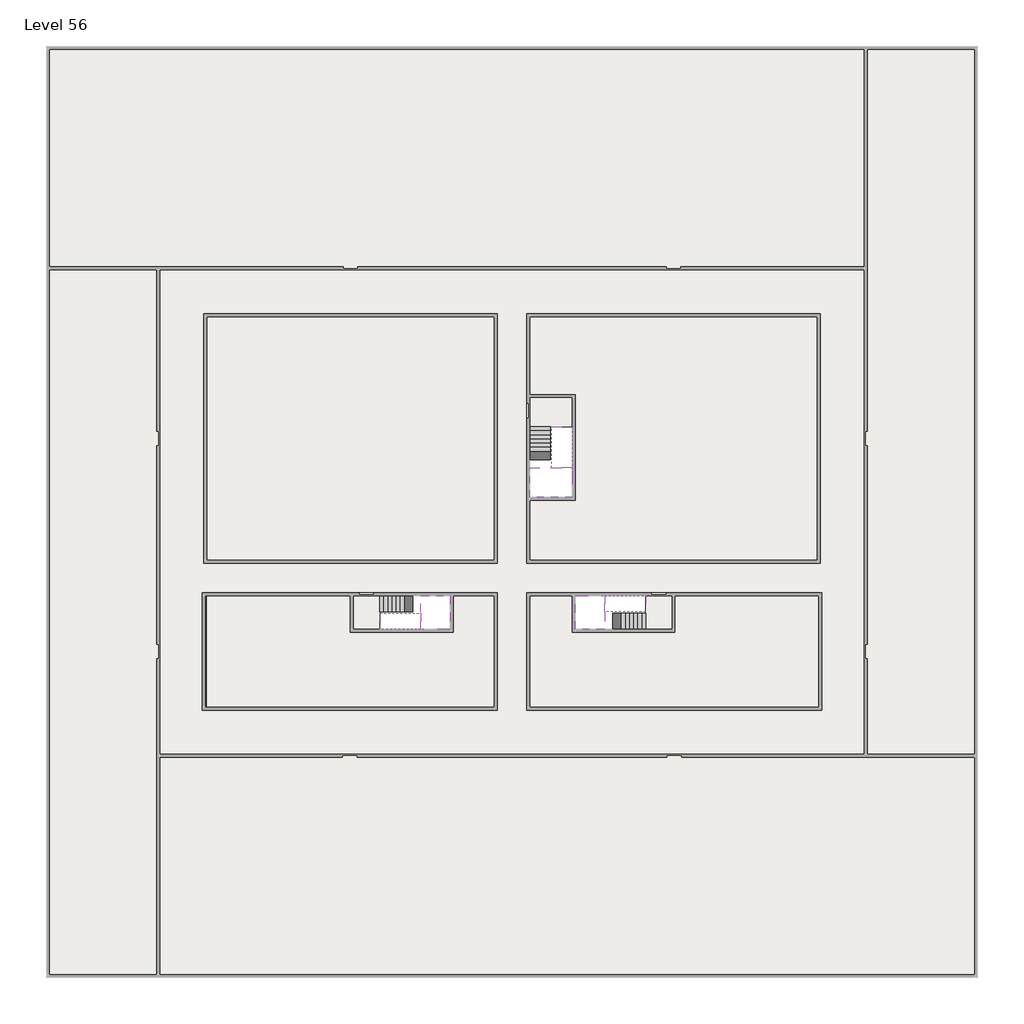
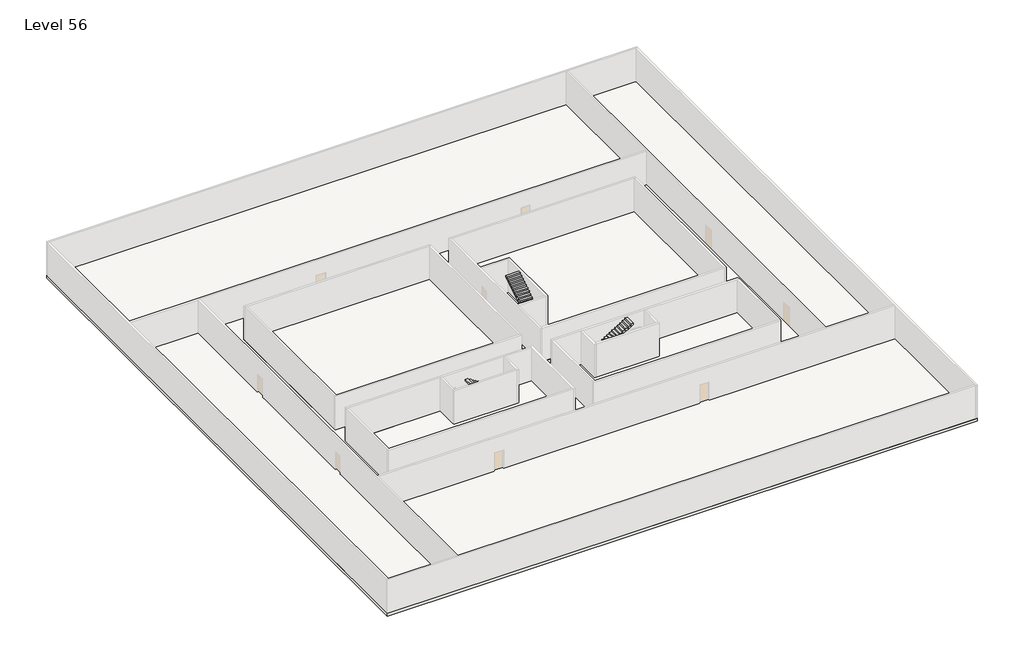
# One storey, part 2 of 2: 6 slabs, 6 stair flights.
"""IFC4 building model written with IfcOpenShell, lengths in millimetres."""

from ifc_helpers import new_model, si_unit, frame, origin, place, context, project, spatial, polyline, outline, extrude, faceted_brep, element, save

model = new_model("IFC4")

# Units and contexts
model_context = context("Model", 3, world=origin())
ifc_project = project(units=[si_unit("LENGTHUNIT", "METRE", prefix="MILLI")], contexts=[model_context])

# Site, building, storey
site = spatial("IfcSite", under=ifc_project)
building = spatial("IfcBuilding", under=site)
storey = spatial("IfcBuildingStorey", under=building, Name="Level 56", Elevation=209000.0)

# Slabs
placement = place(None, origin())
element("IfcSlab", 1, at=placement, inside=storey, context=model_context, shape_type="SweptSolid", body=[
    extrude(outline(polyline([(55890.1058784, -5518.09644), (55890.1058784, -68918.09644), (-7509.8941216, -68918.09644), (-7509.8941216, -5518.09644), (55890.1058784, -5518.09644)]), holes=[polyline([(23190.1058784, -23718.09644), (3190.1058784, -23718.09644), (3190.1058784, -40718.09644), (23190.1058784, -40718.09644), (23190.1058784, -23718.09644)]), polyline([(45190.1058784, -23718.09644), (25190.1058784, -23718.09644), (25190.1058784, -40718.09644), (45190.1058784, -40718.09644), (45190.1058784, -23718.09644)]), polyline([(23190.1058784, -50718.09644), (23190.1058784, -42718.09644), (3390.1058784, -42718.09644), (3390.1058784, -50718.09644), (23190.1058784, -50718.09644)]), polyline([(25190.1058784, -50718.09644), (45190.1058784, -50718.09644), (45190.1058784, -42718.09644), (25190.1058784, -42718.09644), (25190.1058784, -50718.09644)])]), frame((0.0, 0.0, 208700.0), z_axis=(0.0, 0.0, 1.0), x_axis=(1.0, 0.0, 0.0)), (0.0, 0.0, 1.0), 300.0),
])
element("IfcSlab", 2, at=placement, inside=storey, context=model_context, shape_type="Brep", body=[
    faceted_brep([(26790.1058784, -34218.09644, 210900.0), (25390.1058784, -34218.09644, 210900.0), (25390.1058784, -34297.4828763, 210900.0), (25390.1058784, -36218.09644, 210900.0), (28290.1058784, -36218.09644, 210900.0), (28290.1058784, -34418.7100038, 210900.0), (28290.1058784, -34218.09644, 210900.0), (26890.1058784, -34218.09644, 210900.0), (26790.1058784, -34218.09644, 210600.0), (26790.1058784, -34218.09644, 210551.0278478), (25390.1058784, -34218.09644, 210551.0278478), (25390.1058784, -34218.09644, 210727.2727273), (25390.1058784, -34297.4828763, 210600.0), (25390.1058784, -36218.09644, 210600.0), (28290.1058784, -36218.09644, 210600.0), (28290.1058784, -34418.7100038, 210600.0), (28290.1058784, -34218.09644, 210723.7551205), (26890.1058784, -34218.09644, 210723.7551205), (26890.1058784, -34218.09644, 210600.0), (26890.1058784, -34418.7100038, 210600.0), (26790.1058784, -34297.4828763, 210600.0)], [[[0, 1, 2, 3, 4, 5, 6, 7]], [[1, 0, 8, 9, 10, 11]], [[1, 11, 10, 12, 13, 3, 2]], [[4, 3, 13, 14]], [[4, 14, 15, 16, 6, 5]], [[7, 6, 16, 17]], [[0, 7, 17, 18, 8]], [[18, 19, 15, 14, 13, 12, 20, 8]], [[19, 18, 17]], [[20, 12, 10, 9]], [[8, 20, 9]], [[15, 19, 17, 16]]]),
])
element("IfcSlab", 3, at=placement, inside=storey, context=model_context, shape_type="SweptSolid", body=[
    extrude(outline(polyline([(22990.1058784, -23918.09644), (22990.1058784, -40518.09644), (3390.1058784, -40518.09644), (3390.1058784, -23918.09644), (22990.1058784, -23918.09644)])), frame((0.0, 0.0, 208700.0), z_axis=(0.0, 0.0, 1.0), x_axis=(1.0, 0.0, 0.0)), (0.0, 0.0, 1.0), 300.0),
    extrude(outline(polyline([(44990.1058784, -23918.09644), (44990.1058784, -40518.09644), (25390.1058784, -40518.09644), (25390.1058784, -36418.09644), (28490.1058784, -36418.09644), (28490.1058784, -29218.09644), (25390.1058784, -29218.09644), (25390.1058784, -23918.09644), (44990.1058784, -23918.09644)])), frame((0.0, 0.0, 208700.0), z_axis=(0.0, 0.0, 1.0), x_axis=(1.0, 0.0, 0.0)), (0.0, 0.0, 1.0), 300.0),
    extrude(outline(polyline([(22990.1058784, -42918.09644), (22990.1058784, -50518.09644), (3390.1058784, -50518.09644), (3390.1058784, -42918.09644), (13190.1058784, -42918.09644), (13190.1058784, -45418.09644), (20190.1058784, -45418.09644), (20190.1058784, -42918.09644), (22990.1058784, -42918.09644)])), frame((0.0, 0.0, 208700.0), z_axis=(0.0, 0.0, 1.0), x_axis=(1.0, 0.0, 0.0)), (0.0, 0.0, 1.0), 300.0),
    extrude(outline(polyline([(28290.1058784, -42918.09644), (28290.1058784, -45418.09644), (35290.1058784, -45418.09644), (35290.1058784, -42918.09644), (45090.1058784, -42918.09644), (45090.1058784, -50518.09644), (25390.1058784, -50518.09644), (25390.1058784, -42918.09644), (28290.1058784, -42918.09644)])), frame((0.0, 0.0, 208700.0), z_axis=(0.0, 0.0, 1.0), x_axis=(1.0, 0.0, 0.0)), (0.0, 0.0, 1.0), 300.0),
])
element("IfcSlab", 4, at=placement, inside=storey, context=model_context, shape_type="Brep", body=[
    faceted_brep([(30490.1058784, -45218.09644, 210900.0), (30490.1058784, -44118.09644, 210900.0), (30490.1058784, -44018.09644, 210900.0), (30490.1058784, -42918.09644, 210900.0), (30289.4923146, -42918.09644, 210900.0), (28490.1058784, -42918.09644, 210900.0), (28490.1058784, -45218.09644, 210900.0), (30410.7194421, -45218.09644, 210900.0), (30490.1058784, -45218.09644, 210727.2727273), (30490.1058784, -45218.09644, 210551.0278478), (30490.1058784, -44118.09644, 210551.0278478), (30490.1058784, -44118.09644, 210600.0), (30490.1058784, -44018.09644, 210600.0), (30490.1058784, -44018.09644, 210723.7551205), (30490.1058784, -42918.09644, 210723.7551205), (30289.4923146, -42918.09644, 210600.0), (28490.1058784, -42918.09644, 210600.0), (28490.1058784, -45218.09644, 210600.0), (30410.7194421, -45218.09644, 210600.0), (30289.4923146, -44018.09644, 210600.0), (30410.7194421, -44118.09644, 210600.0)], [[[0, 1, 2, 3, 4, 5, 6, 7]], [[1, 0, 8, 9, 10, 11]], [[2, 1, 11, 12, 13]], [[3, 2, 13, 14]], [[3, 14, 15, 16, 5, 4]], [[6, 5, 16, 17]], [[9, 8, 0, 7, 6, 17, 18]], [[19, 12, 11, 20, 18, 17, 16, 15]], [[12, 19, 13]], [[18, 20, 10, 9]], [[20, 11, 10]], [[19, 15, 14, 13]]]),
])
element("IfcSlab", 5, at=placement, inside=storey, context=model_context, shape_type="Brep", body=[
    faceted_brep([(17990.1058784, -42918.09644, 210900.0), (17990.1058784, -44018.09644, 210900.0), (17990.1058784, -44118.09644, 210900.0), (17990.1058784, -45218.09644, 210900.0), (18190.7194421, -45218.09644, 210900.0), (19990.1058784, -45218.09644, 210900.0), (19990.1058784, -42918.09644, 210900.0), (18069.4923146, -42918.09644, 210900.0), (17990.1058784, -42918.09644, 210727.2727273), (17990.1058784, -42918.09644, 210551.0278478), (17990.1058784, -44018.09644, 210551.0278478), (17990.1058784, -44018.09644, 210600.0), (17990.1058784, -44118.09644, 210600.0), (17990.1058784, -44118.09644, 210723.7551205), (17990.1058784, -45218.09644, 210723.7551205), (18190.7194421, -45218.09644, 210600.0), (19990.1058784, -45218.09644, 210600.0), (19990.1058784, -42918.09644, 210600.0), (18069.4923146, -42918.09644, 210600.0), (18190.7194421, -44118.09644, 210600.0), (18069.4923146, -44018.09644, 210600.0)], [[[0, 1, 2, 3, 4, 5, 6, 7]], [[1, 0, 8, 9, 10, 11]], [[2, 1, 11, 12, 13]], [[3, 2, 13, 14]], [[3, 14, 15, 16, 5, 4]], [[6, 5, 16, 17]], [[9, 8, 0, 7, 6, 17, 18]], [[19, 12, 11, 20, 18, 17, 16, 15]], [[12, 19, 13]], [[18, 20, 10, 9]], [[20, 11, 10]], [[19, 15, 14, 13]]]),
])
element("IfcSlab", 6, at=placement, inside=storey, context=model_context, shape_type="SweptSolid", body=[
    extrude(outline(polyline([(25190.1058784, -29418.09644), (28290.1058784, -29418.09644), (28290.1058784, -31418.09644), (25190.1058784, -31418.09644), (25190.1058784, -29418.09644)])), frame((0.0, 0.0, 208700.0), z_axis=(0.0, 0.0, 1.0), x_axis=(1.0, 0.0, 0.0)), (0.0, 0.0, 1.0), 300.0),
    extrude(outline(polyline([(15190.1058784, -45218.09644), (13390.1058784, -45218.09644), (13390.1058784, -42718.09644), (15190.1058784, -42718.09644), (15190.1058784, -45218.09644)])), frame((0.0, 0.0, 208700.0), z_axis=(0.0, 0.0, 1.0), x_axis=(1.0, 0.0, 0.0)), (0.0, 0.0, 1.0), 300.0),
    extrude(outline(polyline([(35090.1058784, -45218.09644), (33290.1058784, -45218.09644), (33290.1058784, -42718.09644), (35090.1058784, -42718.09644), (35090.1058784, -45218.09644)])), frame((0.0, 0.0, 208700.0), z_axis=(0.0, 0.0, 1.0), x_axis=(1.0, 0.0, 0.0)), (0.0, 0.0, 1.0), 300.0),
])

# Stair flights
element("IfcStairFlight", 7, at=placement, inside=storey, context=model_context, shape_type="Brep", body=[
    faceted_brep([(26790.1058784, -31698.09644, 209172.7272727), (26790.1058784, -31418.09644, 209172.7272727), (25390.1058784, -31418.09644, 209172.7272727), (25390.1058784, -31698.09644, 209172.7272727), (26790.1058784, -31698.09644, 209000.0), (26790.1058784, -31418.09644, 209000.0), (25390.1058784, -31418.09644, 209000.0), (25390.1058784, -31698.09644, 209000.0), (26790.1058784, -31978.09644, 209345.4545455), (26790.1058784, -31698.09644, 209345.4545455), (25390.1058784, -31698.09644, 209345.4545455), (25390.1058784, -31978.09644, 209345.4545455), (26790.1058784, -31978.09644, 209169.209666), (26790.1058784, -31703.7986657, 209000.0), (25390.1058784, -31703.7986657, 209000.0), (25390.1058784, -31978.09644, 209169.209666), (26790.1058784, -32258.09644, 209518.1818182), (26790.1058784, -31978.09644, 209518.1818182), (25390.1058784, -31978.09644, 209518.1818182), (25390.1058784, -32258.09644, 209518.1818182), (26790.1058784, -32258.09644, 209341.9369387), (25390.1058784, -32258.09644, 209341.9369387), (26790.1058784, -32538.09644, 209690.9090909), (26790.1058784, -32258.09644, 209690.9090909), (25390.1058784, -32258.09644, 209690.9090909), (25390.1058784, -32538.09644, 209690.9090909), (26790.1058784, -32538.09644, 209514.6642114), (25390.1058784, -32538.09644, 209514.6642114), (26790.1058784, -32818.09644, 209863.6363636), (26790.1058784, -32538.09644, 209863.6363636), (25390.1058784, -32538.09644, 209863.6363636), (25390.1058784, -32818.09644, 209863.6363636), (26790.1058784, -32818.09644, 209687.3914841), (25390.1058784, -32818.09644, 209687.3914841), (26790.1058784, -33098.09644, 210036.3636364), (26790.1058784, -32818.09644, 210036.3636364), (25390.1058784, -32818.09644, 210036.3636364), (25390.1058784, -33098.09644, 210036.3636364), (26790.1058784, -33098.09644, 209860.1187569), (25390.1058784, -33098.09644, 209860.1187569), (26790.1058784, -33378.09644, 210209.0909091), (26790.1058784, -33098.09644, 210209.0909091), (25390.1058784, -33098.09644, 210209.0909091), (25390.1058784, -33378.09644, 210209.0909091), (26790.1058784, -33378.09644, 210032.8460296), (25390.1058784, -33378.09644, 210032.8460296), (26790.1058784, -33658.09644, 210381.8181818), (26790.1058784, -33378.09644, 210381.8181818), (25390.1058784, -33378.09644, 210381.8181818), (25390.1058784, -33658.09644, 210381.8181818), (26790.1058784, -33658.09644, 210205.5733023), (25390.1058784, -33658.09644, 210205.5733023), (26790.1058784, -33938.09644, 210554.5454545), (26790.1058784, -33658.09644, 210554.5454545), (25390.1058784, -33658.09644, 210554.5454545), (25390.1058784, -33938.09644, 210554.5454545), (26790.1058784, -33938.09644, 210378.3005751), (25390.1058784, -33938.09644, 210378.3005751), (26790.1058784, -34218.09644, 210727.2727273), (26790.1058784, -33938.09644, 210727.2727273), (25390.1058784, -33938.09644, 210727.2727273), (25390.1058784, -34218.09644, 210727.2727273), (26790.1058784, -34218.09644, 210600.0), (26790.1058784, -34218.09644, 210551.0278478), (25390.1058784, -34218.09644, 210551.0278478)], [[[0, 1, 2, 3]], [[1, 0, 4, 5]], [[2, 1, 5, 6]], [[3, 2, 6, 7]], [[8, 9, 10, 11]], [[4, 0, 9, 8, 12, 13]], [[0, 3, 10, 9]], [[3, 7, 14, 15, 11, 10]], [[16, 17, 18, 19]], [[17, 16, 20, 12, 8]], [[8, 11, 18, 17]], [[19, 18, 11, 15, 21]], [[22, 23, 24, 25]], [[23, 22, 26, 20, 16]], [[16, 19, 24, 23]], [[25, 24, 19, 21, 27]], [[28, 29, 30, 31]], [[29, 28, 32, 26, 22]], [[22, 25, 30, 29]], [[31, 30, 25, 27, 33]], [[34, 35, 36, 37]], [[35, 34, 38, 32, 28]], [[28, 31, 36, 35]], [[37, 36, 31, 33, 39]], [[40, 41, 42, 43]], [[41, 40, 44, 38, 34]], [[34, 37, 42, 41]], [[43, 42, 37, 39, 45]], [[46, 47, 48, 49]], [[47, 46, 50, 44, 40]], [[40, 43, 48, 47]], [[49, 48, 43, 45, 51]], [[52, 53, 54, 55]], [[53, 52, 56, 50, 46]], [[46, 49, 54, 53]], [[55, 54, 49, 51, 57]], [[58, 59, 60, 61]], [[59, 58, 62, 63, 56, 52]], [[52, 55, 60, 59]], [[61, 60, 55, 57, 64]], [[58, 61, 64, 63, 62]], [[5, 4, 13, 14, 7, 6]], [[14, 13, 12, 20, 26, 32, 38, 44, 50, 56, 63, 64, 57, 51, 45, 39, 33, 27, 21, 15]]]),
])
element("IfcStairFlight", 8, at=placement, inside=storey, context=model_context, shape_type="Brep", body=[
    faceted_brep([(26890.1058784, -33938.09644, 211072.7272727), (26890.1058784, -34218.09644, 211072.7272727), (28290.1058784, -34218.09644, 211072.7272727), (28290.1058784, -33938.09644, 211072.7272727), (26890.1058784, -33938.09644, 210896.4823932), (26890.1058784, -34218.09644, 210723.7551205), (28290.1058784, -34218.09644, 210723.7551205), (28290.1058784, -34218.09644, 210900.0), (28290.1058784, -33938.09644, 210896.4823932), (26890.1058784, -33658.09644, 211245.4545455), (26890.1058784, -33938.09644, 211245.4545455), (28290.1058784, -33938.09644, 211245.4545455), (28290.1058784, -33658.09644, 211245.4545455), (26890.1058784, -33658.09644, 211069.209666), (28290.1058784, -33658.09644, 211069.209666), (26890.1058784, -33378.09644, 211418.1818182), (26890.1058784, -33658.09644, 211418.1818182), (28290.1058784, -33658.09644, 211418.1818182), (28290.1058784, -33378.09644, 211418.1818182), (26890.1058784, -33378.09644, 211241.9369387), (28290.1058784, -33378.09644, 211241.9369387), (26890.1058784, -33098.09644, 211590.9090909), (26890.1058784, -33378.09644, 211590.9090909), (28290.1058784, -33378.09644, 211590.9090909), (28290.1058784, -33098.09644, 211590.9090909), (26890.1058784, -33098.09644, 211414.6642114), (28290.1058784, -33098.09644, 211414.6642114), (26890.1058784, -32818.09644, 211763.6363636), (26890.1058784, -33098.09644, 211763.6363636), (28290.1058784, -33098.09644, 211763.6363636), (28290.1058784, -32818.09644, 211763.6363636), (26890.1058784, -32818.09644, 211587.3914841), (28290.1058784, -32818.09644, 211587.3914841), (26890.1058784, -32538.09644, 211936.3636364), (26890.1058784, -32818.09644, 211936.3636364), (28290.1058784, -32818.09644, 211936.3636364), (28290.1058784, -32538.09644, 211936.3636364), (26890.1058784, -32538.09644, 211760.1187569), (28290.1058784, -32538.09644, 211760.1187569), (26890.1058784, -32258.09644, 212109.0909091), (26890.1058784, -32538.09644, 212109.0909091), (28290.1058784, -32538.09644, 212109.0909091), (28290.1058784, -32258.09644, 212109.0909091), (26890.1058784, -32258.09644, 211932.8460296), (28290.1058784, -32258.09644, 211932.8460296), (26890.1058784, -31978.09644, 212281.8181818), (26890.1058784, -32258.09644, 212281.8181818), (28290.1058784, -32258.09644, 212281.8181818), (28290.1058784, -31978.09644, 212281.8181818), (26890.1058784, -31978.09644, 212105.5733023), (28290.1058784, -31978.09644, 212105.5733023), (26890.1058784, -31698.09644, 212454.5454545), (26890.1058784, -31978.09644, 212454.5454545), (28290.1058784, -31978.09644, 212454.5454545), (28290.1058784, -31698.09644, 212454.5454545), (26890.1058784, -31698.09644, 212278.3005751), (28290.1058784, -31698.09644, 212278.3005751), (26890.1058784, -31418.09644, 212627.2727273), (26890.1058784, -31698.09644, 212627.2727273), (28290.1058784, -31698.09644, 212627.2727273), (28290.1058784, -31418.09644, 212627.2727273), (26890.1058784, -31418.09644, 212451.0278478), (28290.1058784, -31418.09644, 212451.0278478)], [[[0, 1, 2, 3]], [[1, 0, 4, 5]], [[2, 1, 5, 6, 7]], [[3, 2, 7, 6, 8]], [[9, 10, 11, 12]], [[10, 9, 13, 4, 0]], [[11, 10, 0, 3]], [[12, 11, 3, 8, 14]], [[15, 16, 17, 18]], [[16, 15, 19, 13, 9]], [[17, 16, 9, 12]], [[18, 17, 12, 14, 20]], [[21, 22, 23, 24]], [[22, 21, 25, 19, 15]], [[23, 22, 15, 18]], [[24, 23, 18, 20, 26]], [[27, 28, 29, 30]], [[28, 27, 31, 25, 21]], [[29, 28, 21, 24]], [[30, 29, 24, 26, 32]], [[33, 34, 35, 36]], [[34, 33, 37, 31, 27]], [[35, 34, 27, 30]], [[36, 35, 30, 32, 38]], [[39, 40, 41, 42]], [[40, 39, 43, 37, 33]], [[41, 40, 33, 36]], [[42, 41, 36, 38, 44]], [[45, 46, 47, 48]], [[46, 45, 49, 43, 39]], [[47, 46, 39, 42]], [[48, 47, 42, 44, 50]], [[51, 52, 53, 54]], [[52, 51, 55, 49, 45]], [[53, 52, 45, 48]], [[54, 53, 48, 50, 56]], [[57, 58, 59, 60]], [[58, 57, 61, 55, 51]], [[59, 58, 51, 54]], [[60, 59, 54, 56, 62]], [[57, 60, 62, 61]], [[5, 4, 13, 19, 25, 31, 37, 43, 49, 55, 61, 62, 56, 50, 44, 38, 32, 26, 20, 14, 8, 6]]]),
])
element("IfcStairFlight", 9, at=placement, inside=storey, context=model_context, shape_type="Brep", body=[
    faceted_brep([(33010.1058784, -45218.09644, 209172.7272727), (33290.1058784, -45218.09644, 209172.7272727), (33290.1058784, -44118.09644, 209172.7272727), (33010.1058784, -44118.09644, 209172.7272727), (33010.1058784, -45218.09644, 209000.0), (33290.1058784, -45218.09644, 209000.0), (33290.1058784, -44118.09644, 209000.0), (33010.1058784, -44118.09644, 209000.0), (32730.1058784, -45218.09644, 209345.4545455), (33010.1058784, -45218.09644, 209345.4545455), (33010.1058784, -44118.09644, 209345.4545455), (32730.1058784, -44118.09644, 209345.4545455), (32730.1058784, -45218.09644, 209169.209666), (33004.4036527, -45218.09644, 209000.0), (33004.4036527, -44118.09644, 209000.0), (32730.1058784, -44118.09644, 209169.209666), (32450.1058784, -45218.09644, 209518.1818182), (32730.1058784, -45218.09644, 209518.1818182), (32730.1058784, -44118.09644, 209518.1818182), (32450.1058784, -44118.09644, 209518.1818182), (32450.1058784, -45218.09644, 209341.9369387), (32450.1058784, -44118.09644, 209341.9369387), (32170.1058784, -45218.09644, 209690.9090909), (32450.1058784, -45218.09644, 209690.9090909), (32450.1058784, -44118.09644, 209690.9090909), (32170.1058784, -44118.09644, 209690.9090909), (32170.1058784, -45218.09644, 209514.6642114), (32170.1058784, -44118.09644, 209514.6642114), (31890.1058784, -45218.09644, 209863.6363636), (32170.1058784, -45218.09644, 209863.6363636), (32170.1058784, -44118.09644, 209863.6363636), (31890.1058784, -44118.09644, 209863.6363636), (31890.1058784, -45218.09644, 209687.3914841), (31890.1058784, -44118.09644, 209687.3914841), (31610.1058784, -45218.09644, 210036.3636364), (31890.1058784, -45218.09644, 210036.3636364), (31890.1058784, -44118.09644, 210036.3636364), (31610.1058784, -44118.09644, 210036.3636364), (31610.1058784, -45218.09644, 209860.1187569), (31610.1058784, -44118.09644, 209860.1187569), (31330.1058784, -45218.09644, 210209.0909091), (31610.1058784, -45218.09644, 210209.0909091), (31610.1058784, -44118.09644, 210209.0909091), (31330.1058784, -44118.09644, 210209.0909091), (31330.1058784, -45218.09644, 210032.8460296), (31330.1058784, -44118.09644, 210032.8460296), (31050.1058784, -45218.09644, 210381.8181818), (31330.1058784, -45218.09644, 210381.8181818), (31330.1058784, -44118.09644, 210381.8181818), (31050.1058784, -44118.09644, 210381.8181818), (31050.1058784, -45218.09644, 210205.5733023), (31050.1058784, -44118.09644, 210205.5733023), (30770.1058784, -45218.09644, 210554.5454545), (31050.1058784, -45218.09644, 210554.5454545), (31050.1058784, -44118.09644, 210554.5454545), (30770.1058784, -44118.09644, 210554.5454545), (30770.1058784, -45218.09644, 210378.3005751), (30770.1058784, -44118.09644, 210378.3005751), (30490.1058784, -45218.09644, 210727.2727273), (30770.1058784, -45218.09644, 210727.2727273), (30770.1058784, -44118.09644, 210727.2727273), (30490.1058784, -44118.09644, 210727.2727273), (30490.1058784, -45218.09644, 210551.0278478), (30490.1058784, -44118.09644, 210551.0278478), (30490.1058784, -44118.09644, 210600.0)], [[[0, 1, 2, 3]], [[1, 0, 4, 5]], [[2, 1, 5, 6]], [[3, 2, 6, 7]], [[8, 9, 10, 11]], [[4, 0, 9, 8, 12, 13]], [[0, 3, 10, 9]], [[3, 7, 14, 15, 11, 10]], [[16, 17, 18, 19]], [[17, 16, 20, 12, 8]], [[8, 11, 18, 17]], [[19, 18, 11, 15, 21]], [[22, 23, 24, 25]], [[23, 22, 26, 20, 16]], [[16, 19, 24, 23]], [[25, 24, 19, 21, 27]], [[28, 29, 30, 31]], [[29, 28, 32, 26, 22]], [[22, 25, 30, 29]], [[31, 30, 25, 27, 33]], [[34, 35, 36, 37]], [[35, 34, 38, 32, 28]], [[28, 31, 36, 35]], [[37, 36, 31, 33, 39]], [[40, 41, 42, 43]], [[41, 40, 44, 38, 34]], [[34, 37, 42, 41]], [[43, 42, 37, 39, 45]], [[46, 47, 48, 49]], [[47, 46, 50, 44, 40]], [[40, 43, 48, 47]], [[49, 48, 43, 45, 51]], [[52, 53, 54, 55]], [[53, 52, 56, 50, 46]], [[46, 49, 54, 53]], [[55, 54, 49, 51, 57]], [[58, 59, 60, 61]], [[59, 58, 62, 56, 52]], [[52, 55, 60, 59]], [[61, 60, 55, 57, 63, 64]], [[58, 61, 64, 63, 62]], [[5, 4, 13, 14, 7, 6]], [[14, 13, 12, 20, 26, 32, 38, 44, 50, 56, 62, 63, 57, 51, 45, 39, 33, 27, 21, 15]]]),
])
element("IfcStairFlight", 10, at=placement, inside=storey, context=model_context, shape_type="Brep", body=[
    faceted_brep([(30770.1058784, -42918.09644, 211072.7272727), (30490.1058784, -42918.09644, 211072.7272727), (30490.1058784, -44018.09644, 211072.7272727), (30770.1058784, -44018.09644, 211072.7272727), (30770.1058784, -42918.09644, 210896.4823932), (30490.1058784, -42918.09644, 210723.7551205), (30490.1058784, -42918.09644, 210900.0), (30490.1058784, -44018.09644, 210723.7551205), (30770.1058784, -44018.09644, 210896.4823932), (31050.1058784, -42918.09644, 211245.4545455), (30770.1058784, -42918.09644, 211245.4545455), (30770.1058784, -44018.09644, 211245.4545455), (31050.1058784, -44018.09644, 211245.4545455), (31050.1058784, -42918.09644, 211069.209666), (31050.1058784, -44018.09644, 211069.209666), (31330.1058784, -42918.09644, 211418.1818182), (31050.1058784, -42918.09644, 211418.1818182), (31050.1058784, -44018.09644, 211418.1818182), (31330.1058784, -44018.09644, 211418.1818182), (31330.1058784, -42918.09644, 211241.9369387), (31330.1058784, -44018.09644, 211241.9369387), (31610.1058784, -42918.09644, 211590.9090909), (31330.1058784, -42918.09644, 211590.9090909), (31330.1058784, -44018.09644, 211590.9090909), (31610.1058784, -44018.09644, 211590.9090909), (31610.1058784, -42918.09644, 211414.6642114), (31610.1058784, -44018.09644, 211414.6642114), (31890.1058784, -42918.09644, 211763.6363636), (31610.1058784, -42918.09644, 211763.6363636), (31610.1058784, -44018.09644, 211763.6363636), (31890.1058784, -44018.09644, 211763.6363636), (31890.1058784, -42918.09644, 211587.3914841), (31890.1058784, -44018.09644, 211587.3914841), (32170.1058784, -42918.09644, 211936.3636364), (31890.1058784, -42918.09644, 211936.3636364), (31890.1058784, -44018.09644, 211936.3636364), (32170.1058784, -44018.09644, 211936.3636364), (32170.1058784, -42918.09644, 211760.1187569), (32170.1058784, -44018.09644, 211760.1187569), (32450.1058784, -42918.09644, 212109.0909091), (32170.1058784, -42918.09644, 212109.0909091), (32170.1058784, -44018.09644, 212109.0909091), (32450.1058784, -44018.09644, 212109.0909091), (32450.1058784, -42918.09644, 211932.8460296), (32450.1058784, -44018.09644, 211932.8460296), (32730.1058784, -42918.09644, 212281.8181818), (32450.1058784, -42918.09644, 212281.8181818), (32450.1058784, -44018.09644, 212281.8181818), (32730.1058784, -44018.09644, 212281.8181818), (32730.1058784, -42918.09644, 212105.5733023), (32730.1058784, -44018.09644, 212105.5733023), (33010.1058784, -42918.09644, 212454.5454545), (32730.1058784, -42918.09644, 212454.5454545), (32730.1058784, -44018.09644, 212454.5454545), (33010.1058784, -44018.09644, 212454.5454545), (33010.1058784, -42918.09644, 212278.3005751), (33010.1058784, -44018.09644, 212278.3005751), (33290.1058784, -42918.09644, 212627.2727273), (33010.1058784, -42918.09644, 212627.2727273), (33010.1058784, -44018.09644, 212627.2727273), (33290.1058784, -44018.09644, 212627.2727273), (33290.1058784, -42918.09644, 212451.0278478), (33290.1058784, -44018.09644, 212451.0278478)], [[[0, 1, 2, 3]], [[1, 0, 4, 5, 6]], [[2, 1, 6, 5, 7]], [[3, 2, 7, 8]], [[9, 10, 11, 12]], [[10, 9, 13, 4, 0]], [[11, 10, 0, 3]], [[12, 11, 3, 8, 14]], [[15, 16, 17, 18]], [[16, 15, 19, 13, 9]], [[17, 16, 9, 12]], [[18, 17, 12, 14, 20]], [[21, 22, 23, 24]], [[22, 21, 25, 19, 15]], [[23, 22, 15, 18]], [[24, 23, 18, 20, 26]], [[27, 28, 29, 30]], [[28, 27, 31, 25, 21]], [[29, 28, 21, 24]], [[30, 29, 24, 26, 32]], [[33, 34, 35, 36]], [[34, 33, 37, 31, 27]], [[35, 34, 27, 30]], [[36, 35, 30, 32, 38]], [[39, 40, 41, 42]], [[40, 39, 43, 37, 33]], [[41, 40, 33, 36]], [[42, 41, 36, 38, 44]], [[45, 46, 47, 48]], [[46, 45, 49, 43, 39]], [[47, 46, 39, 42]], [[48, 47, 42, 44, 50]], [[51, 52, 53, 54]], [[52, 51, 55, 49, 45]], [[53, 52, 45, 48]], [[54, 53, 48, 50, 56]], [[57, 58, 59, 60]], [[58, 57, 61, 55, 51]], [[59, 58, 51, 54]], [[60, 59, 54, 56, 62]], [[57, 60, 62, 61]], [[5, 4, 13, 19, 25, 31, 37, 43, 49, 55, 61, 62, 56, 50, 44, 38, 32, 26, 20, 14, 8, 7]]]),
])
element("IfcStairFlight", 11, at=placement, inside=storey, context=model_context, shape_type="Brep", body=[
    faceted_brep([(15470.1058784, -42918.09644, 209172.7272727), (15190.1058784, -42918.09644, 209172.7272727), (15190.1058784, -44018.09644, 209172.7272727), (15470.1058784, -44018.09644, 209172.7272727), (15470.1058784, -42918.09644, 209000.0), (15190.1058784, -42918.09644, 209000.0), (15190.1058784, -44018.09644, 209000.0), (15470.1058784, -44018.09644, 209000.0), (15750.1058784, -42918.09644, 209345.4545455), (15470.1058784, -42918.09644, 209345.4545455), (15470.1058784, -44018.09644, 209345.4545455), (15750.1058784, -44018.09644, 209345.4545455), (15750.1058784, -42918.09644, 209169.209666), (15475.8081041, -42918.09644, 209000.0), (15475.8081041, -44018.09644, 209000.0), (15750.1058784, -44018.09644, 209169.209666), (16030.1058784, -42918.09644, 209518.1818182), (15750.1058784, -42918.09644, 209518.1818182), (15750.1058784, -44018.09644, 209518.1818182), (16030.1058784, -44018.09644, 209518.1818182), (16030.1058784, -42918.09644, 209341.9369387), (16030.1058784, -44018.09644, 209341.9369387), (16310.1058784, -42918.09644, 209690.9090909), (16030.1058784, -42918.09644, 209690.9090909), (16030.1058784, -44018.09644, 209690.9090909), (16310.1058784, -44018.09644, 209690.9090909), (16310.1058784, -42918.09644, 209514.6642114), (16310.1058784, -44018.09644, 209514.6642114), (16590.1058784, -42918.09644, 209863.6363636), (16310.1058784, -42918.09644, 209863.6363636), (16310.1058784, -44018.09644, 209863.6363636), (16590.1058784, -44018.09644, 209863.6363636), (16590.1058784, -42918.09644, 209687.3914841), (16590.1058784, -44018.09644, 209687.3914841), (16870.1058784, -42918.09644, 210036.3636364), (16590.1058784, -42918.09644, 210036.3636364), (16590.1058784, -44018.09644, 210036.3636364), (16870.1058784, -44018.09644, 210036.3636364), (16870.1058784, -42918.09644, 209860.1187569), (16870.1058784, -44018.09644, 209860.1187569), (17150.1058784, -42918.09644, 210209.0909091), (16870.1058784, -42918.09644, 210209.0909091), (16870.1058784, -44018.09644, 210209.0909091), (17150.1058784, -44018.09644, 210209.0909091), (17150.1058784, -42918.09644, 210032.8460296), (17150.1058784, -44018.09644, 210032.8460296), (17430.1058784, -42918.09644, 210381.8181818), (17150.1058784, -42918.09644, 210381.8181818), (17150.1058784, -44018.09644, 210381.8181818), (17430.1058784, -44018.09644, 210381.8181818), (17430.1058784, -42918.09644, 210205.5733023), (17430.1058784, -44018.09644, 210205.5733023), (17710.1058784, -42918.09644, 210554.5454545), (17430.1058784, -42918.09644, 210554.5454545), (17430.1058784, -44018.09644, 210554.5454545), (17710.1058784, -44018.09644, 210554.5454545), (17710.1058784, -42918.09644, 210378.3005751), (17710.1058784, -44018.09644, 210378.3005751), (17990.1058784, -42918.09644, 210727.2727273), (17710.1058784, -42918.09644, 210727.2727273), (17710.1058784, -44018.09644, 210727.2727273), (17990.1058784, -44018.09644, 210727.2727273), (17990.1058784, -42918.09644, 210551.0278478), (17990.1058784, -44018.09644, 210551.0278478), (17990.1058784, -44018.09644, 210600.0)], [[[0, 1, 2, 3]], [[1, 0, 4, 5]], [[2, 1, 5, 6]], [[3, 2, 6, 7]], [[8, 9, 10, 11]], [[4, 0, 9, 8, 12, 13]], [[0, 3, 10, 9]], [[3, 7, 14, 15, 11, 10]], [[16, 17, 18, 19]], [[17, 16, 20, 12, 8]], [[8, 11, 18, 17]], [[19, 18, 11, 15, 21]], [[22, 23, 24, 25]], [[23, 22, 26, 20, 16]], [[16, 19, 24, 23]], [[25, 24, 19, 21, 27]], [[28, 29, 30, 31]], [[29, 28, 32, 26, 22]], [[22, 25, 30, 29]], [[31, 30, 25, 27, 33]], [[34, 35, 36, 37]], [[35, 34, 38, 32, 28]], [[28, 31, 36, 35]], [[37, 36, 31, 33, 39]], [[40, 41, 42, 43]], [[41, 40, 44, 38, 34]], [[34, 37, 42, 41]], [[43, 42, 37, 39, 45]], [[46, 47, 48, 49]], [[47, 46, 50, 44, 40]], [[40, 43, 48, 47]], [[49, 48, 43, 45, 51]], [[52, 53, 54, 55]], [[53, 52, 56, 50, 46]], [[46, 49, 54, 53]], [[55, 54, 49, 51, 57]], [[58, 59, 60, 61]], [[59, 58, 62, 56, 52]], [[52, 55, 60, 59]], [[61, 60, 55, 57, 63, 64]], [[58, 61, 64, 63, 62]], [[5, 4, 13, 14, 7, 6]], [[14, 13, 12, 20, 26, 32, 38, 44, 50, 56, 62, 63, 57, 51, 45, 39, 33, 27, 21, 15]]]),
])
element("IfcStairFlight", 12, at=placement, inside=storey, context=model_context, shape_type="Brep", body=[
    faceted_brep([(17710.1058784, -45218.09644, 211072.7272727), (17990.1058784, -45218.09644, 211072.7272727), (17990.1058784, -44118.09644, 211072.7272727), (17710.1058784, -44118.09644, 211072.7272727), (17710.1058784, -45218.09644, 210896.4823932), (17990.1058784, -45218.09644, 210723.7551205), (17990.1058784, -45218.09644, 210900.0), (17990.1058784, -44118.09644, 210723.7551205), (17710.1058784, -44118.09644, 210896.4823932), (17430.1058784, -45218.09644, 211245.4545455), (17710.1058784, -45218.09644, 211245.4545455), (17710.1058784, -44118.09644, 211245.4545455), (17430.1058784, -44118.09644, 211245.4545455), (17430.1058784, -45218.09644, 211069.209666), (17430.1058784, -44118.09644, 211069.209666), (17150.1058784, -45218.09644, 211418.1818182), (17430.1058784, -45218.09644, 211418.1818182), (17430.1058784, -44118.09644, 211418.1818182), (17150.1058784, -44118.09644, 211418.1818182), (17150.1058784, -45218.09644, 211241.9369387), (17150.1058784, -44118.09644, 211241.9369387), (16870.1058784, -45218.09644, 211590.9090909), (17150.1058784, -45218.09644, 211590.9090909), (17150.1058784, -44118.09644, 211590.9090909), (16870.1058784, -44118.09644, 211590.9090909), (16870.1058784, -45218.09644, 211414.6642114), (16870.1058784, -44118.09644, 211414.6642114), (16590.1058784, -45218.09644, 211763.6363636), (16870.1058784, -45218.09644, 211763.6363636), (16870.1058784, -44118.09644, 211763.6363636), (16590.1058784, -44118.09644, 211763.6363636), (16590.1058784, -45218.09644, 211587.3914841), (16590.1058784, -44118.09644, 211587.3914841), (16310.1058784, -45218.09644, 211936.3636364), (16590.1058784, -45218.09644, 211936.3636364), (16590.1058784, -44118.09644, 211936.3636364), (16310.1058784, -44118.09644, 211936.3636364), (16310.1058784, -45218.09644, 211760.1187569), (16310.1058784, -44118.09644, 211760.1187569), (16030.1058784, -45218.09644, 212109.0909091), (16310.1058784, -45218.09644, 212109.0909091), (16310.1058784, -44118.09644, 212109.0909091), (16030.1058784, -44118.09644, 212109.0909091), (16030.1058784, -45218.09644, 211932.8460296), (16030.1058784, -44118.09644, 211932.8460296), (15750.1058784, -45218.09644, 212281.8181818), (16030.1058784, -45218.09644, 212281.8181818), (16030.1058784, -44118.09644, 212281.8181818), (15750.1058784, -44118.09644, 212281.8181818), (15750.1058784, -45218.09644, 212105.5733023), (15750.1058784, -44118.09644, 212105.5733023), (15470.1058784, -45218.09644, 212454.5454545), (15750.1058784, -45218.09644, 212454.5454545), (15750.1058784, -44118.09644, 212454.5454545), (15470.1058784, -44118.09644, 212454.5454545), (15470.1058784, -45218.09644, 212278.3005751), (15470.1058784, -44118.09644, 212278.3005751), (15190.1058784, -45218.09644, 212627.2727273), (15470.1058784, -45218.09644, 212627.2727273), (15470.1058784, -44118.09644, 212627.2727273), (15190.1058784, -44118.09644, 212627.2727273), (15190.1058784, -45218.09644, 212451.0278478), (15190.1058784, -44118.09644, 212451.0278478)], [[[0, 1, 2, 3]], [[1, 0, 4, 5, 6]], [[2, 1, 6, 5, 7]], [[3, 2, 7, 8]], [[9, 10, 11, 12]], [[10, 9, 13, 4, 0]], [[11, 10, 0, 3]], [[12, 11, 3, 8, 14]], [[15, 16, 17, 18]], [[16, 15, 19, 13, 9]], [[17, 16, 9, 12]], [[18, 17, 12, 14, 20]], [[21, 22, 23, 24]], [[22, 21, 25, 19, 15]], [[23, 22, 15, 18]], [[24, 23, 18, 20, 26]], [[27, 28, 29, 30]], [[28, 27, 31, 25, 21]], [[29, 28, 21, 24]], [[30, 29, 24, 26, 32]], [[33, 34, 35, 36]], [[34, 33, 37, 31, 27]], [[35, 34, 27, 30]], [[36, 35, 30, 32, 38]], [[39, 40, 41, 42]], [[40, 39, 43, 37, 33]], [[41, 40, 33, 36]], [[42, 41, 36, 38, 44]], [[45, 46, 47, 48]], [[46, 45, 49, 43, 39]], [[47, 46, 39, 42]], [[48, 47, 42, 44, 50]], [[51, 52, 53, 54]], [[52, 51, 55, 49, 45]], [[53, 52, 45, 48]], [[54, 53, 48, 50, 56]], [[57, 58, 59, 60]], [[58, 57, 61, 55, 51]], [[59, 58, 51, 54]], [[60, 59, 54, 56, 62]], [[57, 60, 62, 61]], [[5, 4, 13, 19, 25, 31, 37, 43, 49, 55, 61, 62, 56, 50, 44, 38, 32, 26, 20, 14, 8, 7]]]),
])

save(model, "model.ifc")
